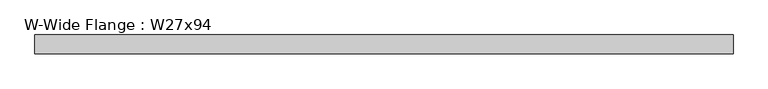
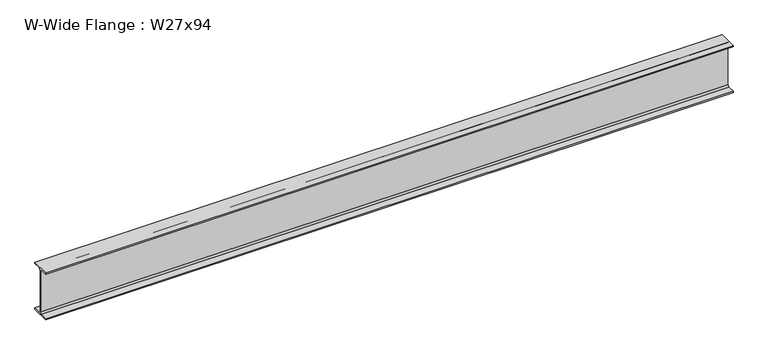
"""IFC4 building model written with IfcOpenShell, lengths in millimetres: beam geometry, W-Wide Flange : W27x94."""

from ifc_helpers import new_model, si_unit, point, frame, frame_2d, origin, place, context, project, spatial, polyline, circle_curve, trimmed, segment, composite_curve, outline, extrude, source, transform, mapped, element, save


def w_wide_flange_w27x94_2d0f1ae2(model_context):
    return source(origin(), model_context, "Body", "SweptSolid", [
        extrude(outline(composite_curve([segment(polyline([(127.0, -322.707), (127.0, -341.63), (-127.0, -341.63), (-127.0, -322.707), (-28.575, -322.707)]), True, "CONTINUOUS"), segment(trimmed(circle_curve(frame_2d((-28.575, -300.355)), 22.352), [point((-28.575, -322.707))], [point((-6.223, -300.355))], True, "CARTESIAN"), True, "CONTINUOUS"), segment(polyline([(-6.223, -300.355), (-6.223, 300.355)]), True, "CONTINUOUS"), segment(trimmed(circle_curve(frame_2d((-28.575, 300.355)), 22.352), [point((-6.223, 300.355))], [point((-28.575, 322.707))], True, "CARTESIAN"), True, "CONTINUOUS"), segment(polyline([(-28.575, 322.707), (-127.0, 322.707), (-127.0, 341.63), (127.0, 341.63), (127.0, 322.707), (28.575, 322.707)]), True, "CONTINUOUS"), segment(trimmed(circle_curve(frame_2d((28.575, 300.355)), 22.352), [point((28.575, 322.707))], [point((6.223, 300.355))], True, "CARTESIAN"), True, "CONTINUOUS"), segment(polyline([(6.223, 300.355), (6.223, -300.355)]), True, "CONTINUOUS"), segment(trimmed(circle_curve(frame_2d((28.575, -300.355)), 22.352), [point((6.223, -300.355))], [point((28.575, -322.707))], True, "CARTESIAN"), True, "CONTINUOUS"), segment(polyline([(28.575, -322.707), (127.0, -322.707)]), True, "CONTINUOUS")], self_intersect=False)), frame((-4707.89, 0.0, 0.0), z_axis=(1.0, 0.0, 0.0), x_axis=(0.0, 1.0, 0.0)), (0.0, 0.0, 1.0), 9415.78),
    ])


if __name__ == "__main__":
    model = new_model("IFC4")
    model_context = context("Model", 3, world=origin())
    ifc_project = project(units=[si_unit("LENGTHUNIT", "METRE", prefix="MILLI")], contexts=[model_context])
    site = spatial("IfcSite", under=ifc_project)
    building = spatial("IfcBuilding", under=site)
    placement = place(None, origin())
    w_wide_flange_w27x94_shape = w_wide_flange_w27x94_2d0f1ae2(model_context)
    element("IfcBeam", 1, ObjectType="W-Wide Flange : W27x94", at=placement, inside=building, context=model_context, shape_type="MappedRepresentation", body=[
        mapped(w_wide_flange_w27x94_shape, transform((0.0, 0.0, 0.0), x_axis=(1.0, 0.0, 0.0), y_axis=(0.0, 1.0, 0.0), z_axis=(0.0, 0.0, 1.0))),
    ])
    save(model, "model.ifc")
